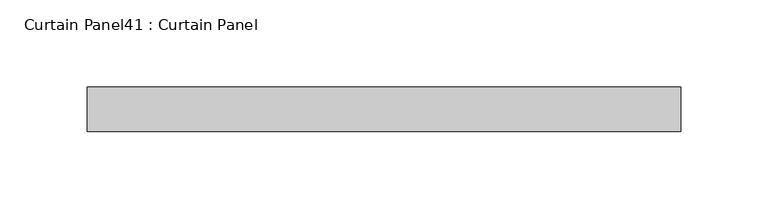
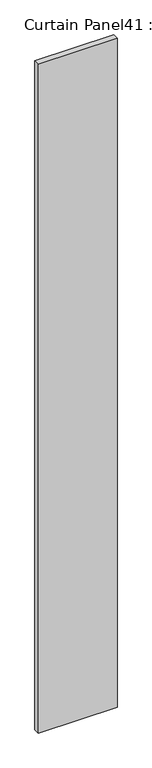
"""IFC4 building model written with IfcOpenShell, lengths in millimetres: plate geometry, Curtain Panel41 : Curtain Panel."""

from ifc_helpers import new_model, si_unit, frame, origin, place, context, project, spatial, polyline, outline, extrude, source, transform, mapped, element, save


def curtain_panel41_curtain_panel_cc17a8e2(model_context):
    return source(origin(), model_context, "Body", "SweptSolid", [
        extrude(outline(polyline([(57455.0729394, 2249.0432235), (57115.4902372, 2249.0432235), (57115.4902372, 2274.4432235), (57455.0729394, 2274.4432235), (57455.0729394, 2249.0432235)])), frame((0.0, 0.0, -626.2681873), z_axis=(0.0, 0.0, 1.0), x_axis=(1.0, 0.0, 0.0)), (0.0, 0.0, 1.0), 3048.0),
    ])


if __name__ == "__main__":
    model = new_model("IFC4")
    model_context = context("Model", 3, world=origin())
    ifc_project = project(units=[si_unit("LENGTHUNIT", "METRE", prefix="MILLI")], contexts=[model_context])
    site = spatial("IfcSite", under=ifc_project)
    building = spatial("IfcBuilding", under=site)
    placement = place(None, origin())
    curtain_panel41_curtain_panel_shape = curtain_panel41_curtain_panel_cc17a8e2(model_context)
    element("IfcPlate", 1, ObjectType="Curtain Panel41 : Curtain Panel", at=placement, inside=building, context=model_context, shape_type="MappedRepresentation", body=[
        mapped(curtain_panel41_curtain_panel_shape, transform((0.0, 0.0, 0.0), x_axis=(1.0, 0.0, 0.0), y_axis=(0.0, 1.0, 0.0), z_axis=(0.0, 0.0, 1.0))),
    ])
    save(model, "model.ifc")
